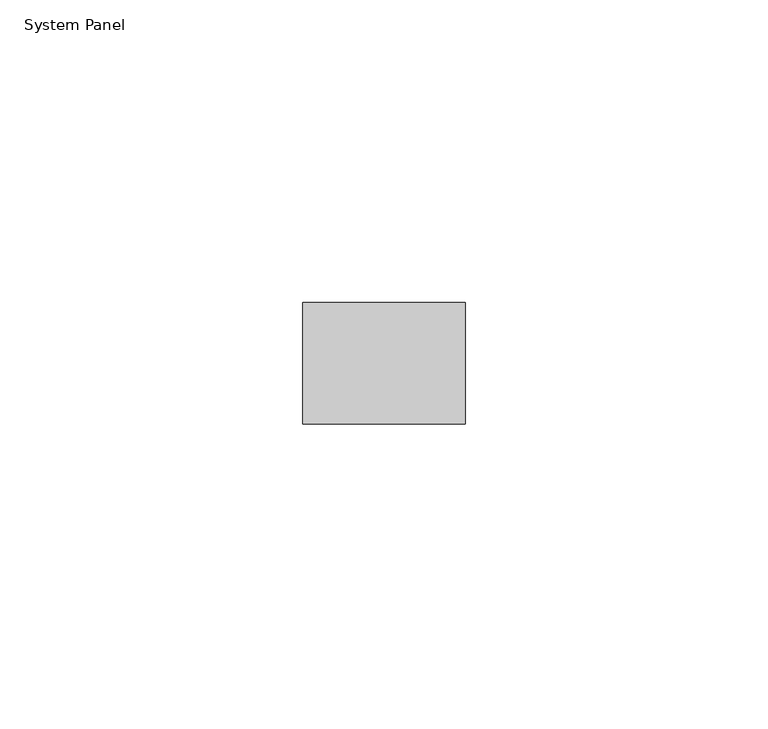
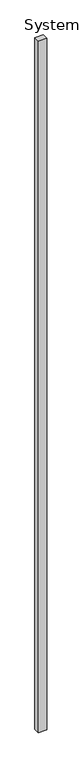
"""IFC4 building model written with IfcOpenShell, lengths in millimetres: plate geometry, System Panel."""

from ifc_helpers import new_model, si_unit, origin, origin_with_axes, place, context, project, spatial, polyline, outline, extrude, source, transform, mapped, element, save


def system_panel_76e6127e(model_context):
    return source(origin(), model_context, "Body", "SweptSolid", [
        extrude(outline(polyline([(13.3892805, -10.0), (-13.3892805, -10.0), (-13.3892805, 10.0), (13.3892805, 10.0), (13.3892805, -10.0)])), origin_with_axes(), (0.0, 0.0, 1.0), 2400.0),
    ])


if __name__ == "__main__":
    model = new_model("IFC4")
    model_context = context("Model", 3, world=origin())
    ifc_project = project(units=[si_unit("LENGTHUNIT", "METRE", prefix="MILLI")], contexts=[model_context])
    site = spatial("IfcSite", under=ifc_project)
    building = spatial("IfcBuilding", under=site)
    placement = place(None, origin())
    system_panel_shape = system_panel_76e6127e(model_context)
    element("IfcPlate", 1, ObjectType="System Panel", at=placement, inside=building, context=model_context, shape_type="MappedRepresentation", body=[
        mapped(system_panel_shape, transform((0.0, 0.0, 0.0), x_axis=(1.0, 0.0, 0.0), y_axis=(0.0, 1.0, 0.0), z_axis=(0.0, 0.0, 1.0))),
    ])
    save(model, "model.ifc")
